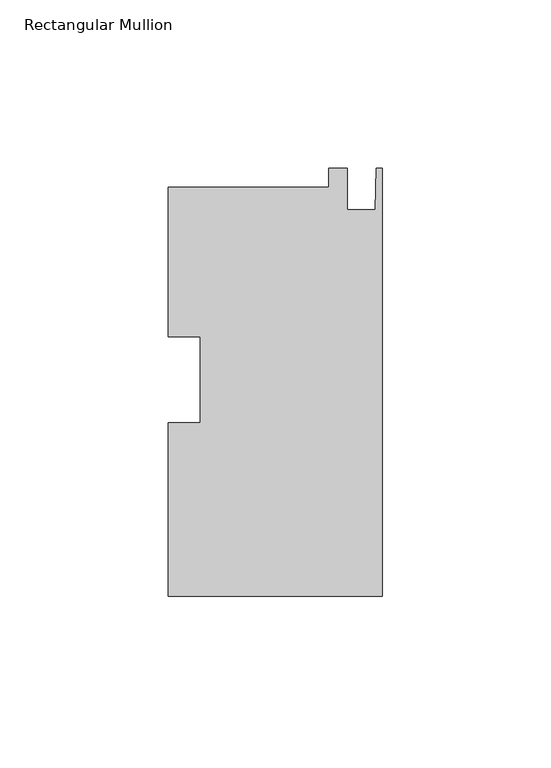
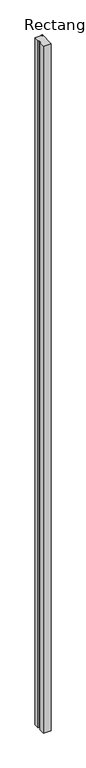
"""IFC4 building model written with IfcOpenShell, lengths in millimetres: member geometry, Rectangular Mullion."""

from ifc_helpers import new_model, si_unit, frame, origin, place, context, project, spatial, polyline, outline, extrude, source, transform, mapped, element, save


def rectangular_mullion_18ca4970(model_context):
    return source(origin(), model_context, "Body", "SweptSolid", [
        extrude(outline(polyline([(0.0, -64.2955523), (-63.5, -64.2955523), (-63.5, -12.7630914), (-53.975, -12.7630914), (-53.975, 12.7246069), (-63.5, 12.7246069), (-63.5, 57.1418477), (-15.8694428, 57.1418477), (-15.8694428, 62.7044477), (-10.3124, 62.7044477), (-10.3124, 50.3600477), (-2.032, 50.3600477), (-1.778, 62.7044477), (0.0, 62.7044477), (0.0, -64.2955523)])), frame((0.0, 0.0, -6032.5), z_axis=(0.0, 0.0, 1.0), x_axis=(1.0, 0.0, 0.0)), (0.0, 0.0, 1.0), 6032.5),
    ])


if __name__ == "__main__":
    model = new_model("IFC4")
    model_context = context("Model", 3, world=origin())
    ifc_project = project(units=[si_unit("LENGTHUNIT", "METRE", prefix="MILLI")], contexts=[model_context])
    site = spatial("IfcSite", under=ifc_project)
    building = spatial("IfcBuilding", under=site)
    placement = place(None, origin())
    rectangular_mullion_shape = rectangular_mullion_18ca4970(model_context)
    element("IfcMember", 1, ObjectType="Rectangular Mullion", at=placement, inside=building, context=model_context, shape_type="MappedRepresentation", body=[
        mapped(rectangular_mullion_shape, transform((0.0, 0.0, 0.0), x_axis=(1.0, 0.0, 0.0), y_axis=(0.0, 1.0, 0.0), z_axis=(0.0, 0.0, 1.0))),
    ])
    save(model, "model.ifc")
